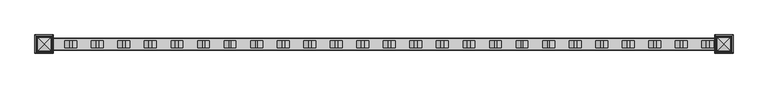
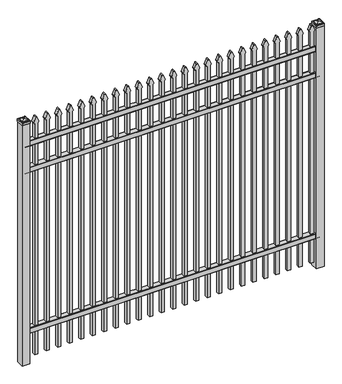
"""IFC4 building model written with IfcOpenShell, lengths in millimetres: railing geometry."""

from ifc_helpers import new_model, si_unit, point, frame, frame_2d, origin, origin_with_axes, place, context, project, spatial, polyline, circle_curve, ellipse_curve, trimmed, segment, composite_curve, outline, extrude, source, transform, mapped, element, save
from ifc_brep_helpers import plane_surface, cylinder_surface, advanced_brep


def railing_acbb20d3(model_context):
    return source(origin(), model_context, "Body", "SolidModel", [
        extrude(outline(composite_curve([segment(polyline([(8825.9139761, 304.8), (8863.969541, 304.8)]), True, "CONTINUOUS"), segment(trimmed(circle_curve(frame_2d((8863.969541, 301.625)), 3.175), [point((8863.969541, 304.8))], [point((8867.144541, 301.625))], False, "CARTESIAN"), True, "CONTINUOUS"), segment(polyline([(8867.144541, 301.625), (8867.144541, 262.1439893)]), True, "CONTINUOUS"), segment(trimmed(circle_curve(frame_2d((8865.3505518, 262.1439893)), 1.7939893), [point((8867.144541, 262.1439893))], [point((8865.3505518, 260.35))], False, "CARTESIAN"), True, "CONTINUOUS"), segment(polyline([(8865.3505518, 260.35), (8862.7590713, 260.35)]), True, "CONTINUOUS"), segment(trimmed(circle_curve(frame_2d((8862.7590713, 262.1359375)), 1.7859375), [point((8862.7590713, 260.35))], [point((8860.9755813, 262.0424688))], False, "CARTESIAN"), True, "CONTINUOUS"), segment(polyline([(8860.9755813, 262.0424688), (8859.4025867, 292.0569942), (8830.4364954, 292.0569942), (8828.8635007, 262.0424688)]), True, "CONTINUOUS"), segment(trimmed(circle_curve(frame_2d((8827.0800108, 262.1359375)), 1.7859375), [point((8828.8635007, 262.0424688))], [point((8827.0800108, 260.35))], False, "CARTESIAN"), True, "CONTINUOUS"), segment(polyline([(8827.0800108, 260.35), (8824.4804785, 260.35)]), True, "CONTINUOUS"), segment(trimmed(circle_curve(frame_2d((8824.4804785, 262.1359375)), 1.7859375), [point((8824.4804785, 260.35))], [point((8822.694541, 262.1359375))], False, "CARTESIAN"), True, "CONTINUOUS"), segment(polyline([(8822.694541, 262.1359375), (8822.694541, 301.5805649)]), True, "CONTINUOUS"), segment(trimmed(circle_curve(frame_2d((8825.9139761, 301.5805649)), 3.2194351), [point((8822.694541, 301.5805649))], [point((8825.9139761, 304.8))], False, "CARTESIAN"), True, "CONTINUOUS")], self_intersect=False)), frame((-28443.4649936, 0.0, 0.0), z_axis=(1.0, 0.0, 0.0), x_axis=(0.0, 1.0, 0.0)), (0.0, 0.0, 1.0), 2438.4),
        extrude(outline(composite_curve([segment(polyline([(8825.9139761, 1714.5), (8863.969541, 1714.5)]), True, "CONTINUOUS"), segment(trimmed(circle_curve(frame_2d((8863.969541, 1711.325)), 3.175), [point((8863.969541, 1714.5))], [point((8867.144541, 1711.325))], False, "CARTESIAN"), True, "CONTINUOUS"), segment(polyline([(8867.144541, 1711.325), (8867.144541, 1671.8439893)]), True, "CONTINUOUS"), segment(trimmed(circle_curve(frame_2d((8865.3505518, 1671.8439893)), 1.7939893), [point((8867.144541, 1671.8439893))], [point((8865.3505518, 1670.05))], False, "CARTESIAN"), True, "CONTINUOUS"), segment(polyline([(8865.3505518, 1670.05), (8862.7590713, 1670.05)]), True, "CONTINUOUS"), segment(trimmed(circle_curve(frame_2d((8862.7590713, 1671.8359375)), 1.7859375), [point((8862.7590713, 1670.05))], [point((8860.9755813, 1671.7424688))], False, "CARTESIAN"), True, "CONTINUOUS"), segment(polyline([(8860.9755813, 1671.7424688), (8859.4025867, 1701.7569942), (8830.4364954, 1701.7569942), (8828.8635007, 1671.7424688)]), True, "CONTINUOUS"), segment(trimmed(circle_curve(frame_2d((8827.0800108, 1671.8359375)), 1.7859375), [point((8828.8635007, 1671.7424688))], [point((8827.0800108, 1670.05))], False, "CARTESIAN"), True, "CONTINUOUS"), segment(polyline([(8827.0800108, 1670.05), (8824.4804785, 1670.05)]), True, "CONTINUOUS"), segment(trimmed(circle_curve(frame_2d((8824.4804785, 1671.8359375)), 1.7859375), [point((8824.4804785, 1670.05))], [point((8822.694541, 1671.8359375))], False, "CARTESIAN"), True, "CONTINUOUS"), segment(polyline([(8822.694541, 1671.8359375), (8822.694541, 1711.2805649)]), True, "CONTINUOUS"), segment(trimmed(circle_curve(frame_2d((8825.9139761, 1711.2805649)), 3.2194351), [point((8822.694541, 1711.2805649))], [point((8825.9139761, 1714.5))], False, "CARTESIAN"), True, "CONTINUOUS")], self_intersect=False)), frame((-28443.4649936, 0.0, 0.0), z_axis=(1.0, 0.0, 0.0), x_axis=(0.0, 1.0, 0.0)), (0.0, 0.0, 1.0), 2438.4),
        extrude(outline(composite_curve([segment(polyline([(8825.9139761, 1944.6875), (8863.969541, 1944.6875)]), True, "CONTINUOUS"), segment(trimmed(circle_curve(frame_2d((8863.969541, 1941.5125)), 3.175), [point((8863.969541, 1944.6875))], [point((8867.144541, 1941.5125))], False, "CARTESIAN"), True, "CONTINUOUS"), segment(polyline([(8867.144541, 1941.5125), (8867.144541, 1902.0314893)]), True, "CONTINUOUS"), segment(trimmed(circle_curve(frame_2d((8865.3505518, 1902.0314893)), 1.7939893), [point((8867.144541, 1902.0314893))], [point((8865.3505518, 1900.2375))], False, "CARTESIAN"), True, "CONTINUOUS"), segment(polyline([(8865.3505518, 1900.2375), (8862.7590713, 1900.2375)]), True, "CONTINUOUS"), segment(trimmed(circle_curve(frame_2d((8862.7590713, 1902.0234375)), 1.7859375), [point((8862.7590713, 1900.2375))], [point((8860.9755813, 1901.9299688))], False, "CARTESIAN"), True, "CONTINUOUS"), segment(polyline([(8860.9755813, 1901.9299688), (8859.4025867, 1931.9444942), (8830.4364954, 1931.9444942), (8828.8635007, 1901.9299688)]), True, "CONTINUOUS"), segment(trimmed(circle_curve(frame_2d((8827.0800108, 1902.0234375)), 1.7859375), [point((8828.8635007, 1901.9299688))], [point((8827.0800108, 1900.2375))], False, "CARTESIAN"), True, "CONTINUOUS"), segment(polyline([(8827.0800108, 1900.2375), (8824.4804785, 1900.2375)]), True, "CONTINUOUS"), segment(trimmed(circle_curve(frame_2d((8824.4804785, 1902.0234375)), 1.7859375), [point((8824.4804785, 1900.2375))], [point((8822.694541, 1902.0234375))], False, "CARTESIAN"), True, "CONTINUOUS"), segment(polyline([(8822.694541, 1902.0234375), (8822.694541, 1941.4680649)]), True, "CONTINUOUS"), segment(trimmed(circle_curve(frame_2d((8825.9139761, 1941.4680649)), 3.2194351), [point((8822.694541, 1941.4680649))], [point((8825.9139761, 1944.6875))], False, "CARTESIAN"), True, "CONTINUOUS")], self_intersect=False)), frame((-28443.4649936, 0.0, 0.0), z_axis=(1.0, 0.0, 0.0), x_axis=(0.0, 1.0, 0.0)), (0.0, 0.0, 1.0), 2438.4),
        extrude(outline(composite_curve([segment(polyline([(2074.2798417, -26074.9149936), (50.8, -26074.9149936), (50.8, -26049.5149936), (2074.0579232, -26049.5149936)]), True, "CONTINUOUS"), segment(trimmed(circle_curve(frame_2d((2092.5299402, -26063.3872336)), 23.1009622), [point((2074.0579232, -26049.5149936))], [point((2087.0676176, -26040.9413545))], False, "CARTESIAN"), True, "CONTINUOUS"), segment(polyline([(2087.0676176, -26040.9413545), (2127.5555225, -26057.2605644)]), True, "CONTINUOUS"), segment(trimmed(circle_curve(frame_2d((2124.4045804, -26062.3905764)), 6.0204202), [point((2127.5555225, -26057.2605644))], [point((2127.5555225, -26067.5205884))], False, "CARTESIAN"), True, "CONTINUOUS"), segment(polyline([(2127.5555225, -26067.5205884), (2088.3339948, -26083.4687724)]), True, "CONTINUOUS"), segment(trimmed(circle_curve(frame_2d((2092.5299402, -26060.7520716)), 23.1009622), [point((2088.3339948, -26083.4687724))], [point((2074.2798417, -26074.9149936))], False, "CARTESIAN"), True, "CONTINUOUS")], self_intersect=False)), frame((0.0, 8832.219541, 0.0), z_axis=(0.0, 1.0, 0.0), x_axis=(0.0, 0.0, 1.0)), (0.0, 0.0, 1.0), 25.4),
        extrude(outline(composite_curve([segment(polyline([(2074.2798417, -26170.1649936), (50.8, -26170.1649936), (50.8, -26144.7649936), (2074.0579232, -26144.7649936)]), True, "CONTINUOUS"), segment(trimmed(circle_curve(frame_2d((2092.5299402, -26158.6372336)), 23.1009622), [point((2074.0579232, -26144.7649936))], [point((2087.0676176, -26136.1913545))], False, "CARTESIAN"), True, "CONTINUOUS"), segment(polyline([(2087.0676176, -26136.1913545), (2127.5555225, -26152.5105644)]), True, "CONTINUOUS"), segment(trimmed(circle_curve(frame_2d((2124.4045804, -26157.6405764)), 6.0204202), [point((2127.5555225, -26152.5105644))], [point((2127.5555225, -26162.7705884))], False, "CARTESIAN"), True, "CONTINUOUS"), segment(polyline([(2127.5555225, -26162.7705884), (2088.3339948, -26178.7187724)]), True, "CONTINUOUS"), segment(trimmed(circle_curve(frame_2d((2092.5299402, -26156.0020716)), 23.1009622), [point((2088.3339948, -26178.7187724))], [point((2074.2798417, -26170.1649936))], False, "CARTESIAN"), True, "CONTINUOUS")], self_intersect=False)), frame((0.0, 8832.219541, 0.0), z_axis=(0.0, 1.0, 0.0), x_axis=(0.0, 0.0, 1.0)), (0.0, 0.0, 1.0), 25.4),
        extrude(outline(composite_curve([segment(polyline([(2074.2798417, -26265.4149936), (50.8, -26265.4149936), (50.8, -26240.0149936), (2074.0579232, -26240.0149936)]), True, "CONTINUOUS"), segment(trimmed(circle_curve(frame_2d((2092.5299402, -26253.8872336)), 23.1009622), [point((2074.0579232, -26240.0149936))], [point((2087.0676176, -26231.4413545))], False, "CARTESIAN"), True, "CONTINUOUS"), segment(polyline([(2087.0676176, -26231.4413545), (2127.5555225, -26247.7605644)]), True, "CONTINUOUS"), segment(trimmed(circle_curve(frame_2d((2124.4045804, -26252.8905764)), 6.0204202), [point((2127.5555225, -26247.7605644))], [point((2127.5555225, -26258.0205884))], False, "CARTESIAN"), True, "CONTINUOUS"), segment(polyline([(2127.5555225, -26258.0205884), (2088.3339948, -26273.9687724)]), True, "CONTINUOUS"), segment(trimmed(circle_curve(frame_2d((2092.5299402, -26251.2520716)), 23.1009622), [point((2088.3339948, -26273.9687724))], [point((2074.2798417, -26265.4149936))], False, "CARTESIAN"), True, "CONTINUOUS")], self_intersect=False)), frame((0.0, 8832.219541, 0.0), z_axis=(0.0, 1.0, 0.0), x_axis=(0.0, 0.0, 1.0)), (0.0, 0.0, 1.0), 25.4),
        extrude(outline(composite_curve([segment(polyline([(2074.2798417, -26360.6649936), (50.8, -26360.6649936), (50.8, -26335.2649936), (2074.0579232, -26335.2649936)]), True, "CONTINUOUS"), segment(trimmed(circle_curve(frame_2d((2092.5299402, -26349.1372336)), 23.1009622), [point((2074.0579232, -26335.2649936))], [point((2087.0676176, -26326.6913545))], False, "CARTESIAN"), True, "CONTINUOUS"), segment(polyline([(2087.0676176, -26326.6913545), (2127.5555225, -26343.0105644)]), True, "CONTINUOUS"), segment(trimmed(circle_curve(frame_2d((2124.4045804, -26348.1405764)), 6.0204202), [point((2127.5555225, -26343.0105644))], [point((2127.5555225, -26353.2705884))], False, "CARTESIAN"), True, "CONTINUOUS"), segment(polyline([(2127.5555225, -26353.2705884), (2088.3339948, -26369.2187724)]), True, "CONTINUOUS"), segment(trimmed(circle_curve(frame_2d((2092.5299402, -26346.5020716)), 23.1009622), [point((2088.3339948, -26369.2187724))], [point((2074.2798417, -26360.6649936))], False, "CARTESIAN"), True, "CONTINUOUS")], self_intersect=False)), frame((0.0, 8832.219541, 0.0), z_axis=(0.0, 1.0, 0.0), x_axis=(0.0, 0.0, 1.0)), (0.0, 0.0, 1.0), 25.4),
        extrude(outline(composite_curve([segment(polyline([(2074.2798417, -26455.9149936), (50.8, -26455.9149936), (50.8, -26430.5149936), (2074.0579232, -26430.5149936)]), True, "CONTINUOUS"), segment(trimmed(circle_curve(frame_2d((2092.5299402, -26444.3872336)), 23.1009622), [point((2074.0579232, -26430.5149936))], [point((2087.0676176, -26421.9413545))], False, "CARTESIAN"), True, "CONTINUOUS"), segment(polyline([(2087.0676176, -26421.9413545), (2127.5555225, -26438.2605644)]), True, "CONTINUOUS"), segment(trimmed(circle_curve(frame_2d((2124.4045804, -26443.3905764)), 6.0204202), [point((2127.5555225, -26438.2605644))], [point((2127.5555225, -26448.5205884))], False, "CARTESIAN"), True, "CONTINUOUS"), segment(polyline([(2127.5555225, -26448.5205884), (2088.3339948, -26464.4687724)]), True, "CONTINUOUS"), segment(trimmed(circle_curve(frame_2d((2092.5299402, -26441.7520716)), 23.1009622), [point((2088.3339948, -26464.4687724))], [point((2074.2798417, -26455.9149936))], False, "CARTESIAN"), True, "CONTINUOUS")], self_intersect=False)), frame((0.0, 8832.219541, 0.0), z_axis=(0.0, 1.0, 0.0), x_axis=(0.0, 0.0, 1.0)), (0.0, 0.0, 1.0), 25.4),
        extrude(outline(composite_curve([segment(polyline([(2074.2798417, -26551.1649936), (50.8, -26551.1649936), (50.8, -26525.7649936), (2074.0579232, -26525.7649936)]), True, "CONTINUOUS"), segment(trimmed(circle_curve(frame_2d((2092.5299402, -26539.6372336)), 23.1009622), [point((2074.0579232, -26525.7649936))], [point((2087.0676176, -26517.1913545))], False, "CARTESIAN"), True, "CONTINUOUS"), segment(polyline([(2087.0676176, -26517.1913545), (2127.5555225, -26533.5105644)]), True, "CONTINUOUS"), segment(trimmed(circle_curve(frame_2d((2124.4045804, -26538.6405764)), 6.0204202), [point((2127.5555225, -26533.5105644))], [point((2127.5555225, -26543.7705884))], False, "CARTESIAN"), True, "CONTINUOUS"), segment(polyline([(2127.5555225, -26543.7705884), (2088.3339948, -26559.7187724)]), True, "CONTINUOUS"), segment(trimmed(circle_curve(frame_2d((2092.5299402, -26537.0020716)), 23.1009622), [point((2088.3339948, -26559.7187724))], [point((2074.2798417, -26551.1649936))], False, "CARTESIAN"), True, "CONTINUOUS")], self_intersect=False)), frame((0.0, 8832.219541, 0.0), z_axis=(0.0, 1.0, 0.0), x_axis=(0.0, 0.0, 1.0)), (0.0, 0.0, 1.0), 25.4),
        extrude(outline(composite_curve([segment(polyline([(2074.2798417, -26646.4149936), (50.8, -26646.4149936), (50.8, -26621.0149936), (2074.0579232, -26621.0149936)]), True, "CONTINUOUS"), segment(trimmed(circle_curve(frame_2d((2092.5299402, -26634.8872336)), 23.1009622), [point((2074.0579232, -26621.0149936))], [point((2087.0676176, -26612.4413545))], False, "CARTESIAN"), True, "CONTINUOUS"), segment(polyline([(2087.0676176, -26612.4413545), (2127.5555225, -26628.7605644)]), True, "CONTINUOUS"), segment(trimmed(circle_curve(frame_2d((2124.4045804, -26633.8905764)), 6.0204202), [point((2127.5555225, -26628.7605644))], [point((2127.5555225, -26639.0205884))], False, "CARTESIAN"), True, "CONTINUOUS"), segment(polyline([(2127.5555225, -26639.0205884), (2088.3339948, -26654.9687724)]), True, "CONTINUOUS"), segment(trimmed(circle_curve(frame_2d((2092.5299402, -26632.2520716)), 23.1009622), [point((2088.3339948, -26654.9687724))], [point((2074.2798417, -26646.4149936))], False, "CARTESIAN"), True, "CONTINUOUS")], self_intersect=False)), frame((0.0, 8832.219541, 0.0), z_axis=(0.0, 1.0, 0.0), x_axis=(0.0, 0.0, 1.0)), (0.0, 0.0, 1.0), 25.4),
        extrude(outline(composite_curve([segment(polyline([(2074.2798417, -26741.6649936), (50.8, -26741.6649936), (50.8, -26716.2649936), (2074.0579232, -26716.2649936)]), True, "CONTINUOUS"), segment(trimmed(circle_curve(frame_2d((2092.5299402, -26730.1372336)), 23.1009622), [point((2074.0579232, -26716.2649936))], [point((2087.0676176, -26707.6913545))], False, "CARTESIAN"), True, "CONTINUOUS"), segment(polyline([(2087.0676176, -26707.6913545), (2127.5555225, -26724.0105644)]), True, "CONTINUOUS"), segment(trimmed(circle_curve(frame_2d((2124.4045804, -26729.1405764)), 6.0204202), [point((2127.5555225, -26724.0105644))], [point((2127.5555225, -26734.2705884))], False, "CARTESIAN"), True, "CONTINUOUS"), segment(polyline([(2127.5555225, -26734.2705884), (2088.3339948, -26750.2187724)]), True, "CONTINUOUS"), segment(trimmed(circle_curve(frame_2d((2092.5299402, -26727.5020716)), 23.1009622), [point((2088.3339948, -26750.2187724))], [point((2074.2798417, -26741.6649936))], False, "CARTESIAN"), True, "CONTINUOUS")], self_intersect=False)), frame((0.0, 8832.219541, 0.0), z_axis=(0.0, 1.0, 0.0), x_axis=(0.0, 0.0, 1.0)), (0.0, 0.0, 1.0), 25.4),
        extrude(outline(composite_curve([segment(polyline([(2074.2798417, -26836.9149936), (50.8, -26836.9149936), (50.8, -26811.5149936), (2074.0579232, -26811.5149936)]), True, "CONTINUOUS"), segment(trimmed(circle_curve(frame_2d((2092.5299402, -26825.3872336)), 23.1009622), [point((2074.0579232, -26811.5149936))], [point((2087.0676176, -26802.9413545))], False, "CARTESIAN"), True, "CONTINUOUS"), segment(polyline([(2087.0676176, -26802.9413545), (2127.5555225, -26819.2605644)]), True, "CONTINUOUS"), segment(trimmed(circle_curve(frame_2d((2124.4045804, -26824.3905764)), 6.0204202), [point((2127.5555225, -26819.2605644))], [point((2127.5555225, -26829.5205884))], False, "CARTESIAN"), True, "CONTINUOUS"), segment(polyline([(2127.5555225, -26829.5205884), (2088.3339948, -26845.4687724)]), True, "CONTINUOUS"), segment(trimmed(circle_curve(frame_2d((2092.5299402, -26822.7520716)), 23.1009622), [point((2088.3339948, -26845.4687724))], [point((2074.2798417, -26836.9149936))], False, "CARTESIAN"), True, "CONTINUOUS")], self_intersect=False)), frame((0.0, 8832.219541, 0.0), z_axis=(0.0, 1.0, 0.0), x_axis=(0.0, 0.0, 1.0)), (0.0, 0.0, 1.0), 25.4),
        extrude(outline(composite_curve([segment(polyline([(2074.2798417, -26932.1649936), (50.8, -26932.1649936), (50.8, -26906.7649936), (2074.0579232, -26906.7649936)]), True, "CONTINUOUS"), segment(trimmed(circle_curve(frame_2d((2092.5299402, -26920.6372336)), 23.1009622), [point((2074.0579232, -26906.7649936))], [point((2087.0676176, -26898.1913545))], False, "CARTESIAN"), True, "CONTINUOUS"), segment(polyline([(2087.0676176, -26898.1913545), (2127.5555225, -26914.5105644)]), True, "CONTINUOUS"), segment(trimmed(circle_curve(frame_2d((2124.4045804, -26919.6405764)), 6.0204202), [point((2127.5555225, -26914.5105644))], [point((2127.5555225, -26924.7705884))], False, "CARTESIAN"), True, "CONTINUOUS"), segment(polyline([(2127.5555225, -26924.7705884), (2088.3339948, -26940.7187724)]), True, "CONTINUOUS"), segment(trimmed(circle_curve(frame_2d((2092.5299402, -26918.0020716)), 23.1009622), [point((2088.3339948, -26940.7187724))], [point((2074.2798417, -26932.1649936))], False, "CARTESIAN"), True, "CONTINUOUS")], self_intersect=False)), frame((0.0, 8832.219541, 0.0), z_axis=(0.0, 1.0, 0.0), x_axis=(0.0, 0.0, 1.0)), (0.0, 0.0, 1.0), 25.4),
        extrude(outline(composite_curve([segment(polyline([(2074.2798417, -27027.4149936), (50.8, -27027.4149936), (50.8, -27002.0149936), (2074.0579232, -27002.0149936)]), True, "CONTINUOUS"), segment(trimmed(circle_curve(frame_2d((2092.5299402, -27015.8872336)), 23.1009622), [point((2074.0579232, -27002.0149936))], [point((2087.0676176, -26993.4413545))], False, "CARTESIAN"), True, "CONTINUOUS"), segment(polyline([(2087.0676176, -26993.4413545), (2127.5555225, -27009.7605644)]), True, "CONTINUOUS"), segment(trimmed(circle_curve(frame_2d((2124.4045804, -27014.8905764)), 6.0204202), [point((2127.5555225, -27009.7605644))], [point((2127.5555225, -27020.0205884))], False, "CARTESIAN"), True, "CONTINUOUS"), segment(polyline([(2127.5555225, -27020.0205884), (2088.3339948, -27035.9687724)]), True, "CONTINUOUS"), segment(trimmed(circle_curve(frame_2d((2092.5299402, -27013.2520716)), 23.1009622), [point((2088.3339948, -27035.9687724))], [point((2074.2798417, -27027.4149936))], False, "CARTESIAN"), True, "CONTINUOUS")], self_intersect=False)), frame((0.0, 8832.219541, 0.0), z_axis=(0.0, 1.0, 0.0), x_axis=(0.0, 0.0, 1.0)), (0.0, 0.0, 1.0), 25.4),
        extrude(outline(composite_curve([segment(polyline([(2074.2798417, -27122.6649936), (50.8, -27122.6649936), (50.8, -27097.2649936), (2074.0579232, -27097.2649936)]), True, "CONTINUOUS"), segment(trimmed(circle_curve(frame_2d((2092.5299402, -27111.1372336)), 23.1009622), [point((2074.0579232, -27097.2649936))], [point((2087.0676176, -27088.6913545))], False, "CARTESIAN"), True, "CONTINUOUS"), segment(polyline([(2087.0676176, -27088.6913545), (2127.5555225, -27105.0105644)]), True, "CONTINUOUS"), segment(trimmed(circle_curve(frame_2d((2124.4045804, -27110.1405764)), 6.0204202), [point((2127.5555225, -27105.0105644))], [point((2127.5555225, -27115.2705884))], False, "CARTESIAN"), True, "CONTINUOUS"), segment(polyline([(2127.5555225, -27115.2705884), (2088.3339948, -27131.2187724)]), True, "CONTINUOUS"), segment(trimmed(circle_curve(frame_2d((2092.5299402, -27108.5020716)), 23.1009622), [point((2088.3339948, -27131.2187724))], [point((2074.2798417, -27122.6649936))], False, "CARTESIAN"), True, "CONTINUOUS")], self_intersect=False)), frame((0.0, 8832.219541, 0.0), z_axis=(0.0, 1.0, 0.0), x_axis=(0.0, 0.0, 1.0)), (0.0, 0.0, 1.0), 25.4),
        extrude(outline(composite_curve([segment(polyline([(2074.2798417, -27217.9149936), (50.8, -27217.9149936), (50.8, -27192.5149936), (2074.0579232, -27192.5149936)]), True, "CONTINUOUS"), segment(trimmed(circle_curve(frame_2d((2092.5299402, -27206.3872336)), 23.1009622), [point((2074.0579232, -27192.5149936))], [point((2087.0676176, -27183.9413545))], False, "CARTESIAN"), True, "CONTINUOUS"), segment(polyline([(2087.0676176, -27183.9413545), (2127.5555225, -27200.2605644)]), True, "CONTINUOUS"), segment(trimmed(circle_curve(frame_2d((2124.4045804, -27205.3905764)), 6.0204202), [point((2127.5555225, -27200.2605644))], [point((2127.5555225, -27210.5205884))], False, "CARTESIAN"), True, "CONTINUOUS"), segment(polyline([(2127.5555225, -27210.5205884), (2088.3339948, -27226.4687724)]), True, "CONTINUOUS"), segment(trimmed(circle_curve(frame_2d((2092.5299402, -27203.7520716)), 23.1009622), [point((2088.3339948, -27226.4687724))], [point((2074.2798417, -27217.9149936))], False, "CARTESIAN"), True, "CONTINUOUS")], self_intersect=False)), frame((0.0, 8832.219541, 0.0), z_axis=(0.0, 1.0, 0.0), x_axis=(0.0, 0.0, 1.0)), (0.0, 0.0, 1.0), 25.4),
        extrude(outline(composite_curve([segment(polyline([(2074.2798417, -27313.1649936), (50.8, -27313.1649936), (50.8, -27287.7649936), (2074.0579232, -27287.7649936)]), True, "CONTINUOUS"), segment(trimmed(circle_curve(frame_2d((2092.5299402, -27301.6372336)), 23.1009622), [point((2074.0579232, -27287.7649936))], [point((2087.0676176, -27279.1913545))], False, "CARTESIAN"), True, "CONTINUOUS"), segment(polyline([(2087.0676176, -27279.1913545), (2127.5555225, -27295.5105644)]), True, "CONTINUOUS"), segment(trimmed(circle_curve(frame_2d((2124.4045804, -27300.6405764)), 6.0204202), [point((2127.5555225, -27295.5105644))], [point((2127.5555225, -27305.7705884))], False, "CARTESIAN"), True, "CONTINUOUS"), segment(polyline([(2127.5555225, -27305.7705884), (2088.3339948, -27321.7187724)]), True, "CONTINUOUS"), segment(trimmed(circle_curve(frame_2d((2092.5299402, -27299.0020716)), 23.1009622), [point((2088.3339948, -27321.7187724))], [point((2074.2798417, -27313.1649936))], False, "CARTESIAN"), True, "CONTINUOUS")], self_intersect=False)), frame((0.0, 8832.219541, 0.0), z_axis=(0.0, 1.0, 0.0), x_axis=(0.0, 0.0, 1.0)), (0.0, 0.0, 1.0), 25.4),
        extrude(outline(composite_curve([segment(polyline([(2074.2798417, -27408.4149936), (50.8, -27408.4149936), (50.8, -27383.0149936), (2074.0579232, -27383.0149936)]), True, "CONTINUOUS"), segment(trimmed(circle_curve(frame_2d((2092.5299402, -27396.8872336)), 23.1009622), [point((2074.0579232, -27383.0149936))], [point((2087.0676176, -27374.4413545))], False, "CARTESIAN"), True, "CONTINUOUS"), segment(polyline([(2087.0676176, -27374.4413545), (2127.5555225, -27390.7605644)]), True, "CONTINUOUS"), segment(trimmed(circle_curve(frame_2d((2124.4045804, -27395.8905764)), 6.0204202), [point((2127.5555225, -27390.7605644))], [point((2127.5555225, -27401.0205884))], False, "CARTESIAN"), True, "CONTINUOUS"), segment(polyline([(2127.5555225, -27401.0205884), (2088.3339948, -27416.9687724)]), True, "CONTINUOUS"), segment(trimmed(circle_curve(frame_2d((2092.5299402, -27394.2520716)), 23.1009622), [point((2088.3339948, -27416.9687724))], [point((2074.2798417, -27408.4149936))], False, "CARTESIAN"), True, "CONTINUOUS")], self_intersect=False)), frame((0.0, 8832.219541, 0.0), z_axis=(0.0, 1.0, 0.0), x_axis=(0.0, 0.0, 1.0)), (0.0, 0.0, 1.0), 25.4),
        extrude(outline(composite_curve([segment(polyline([(2074.2798417, -27503.6649936), (50.8, -27503.6649936), (50.8, -27478.2649936), (2074.0579232, -27478.2649936)]), True, "CONTINUOUS"), segment(trimmed(circle_curve(frame_2d((2092.5299402, -27492.1372336)), 23.1009622), [point((2074.0579232, -27478.2649936))], [point((2087.0676176, -27469.6913545))], False, "CARTESIAN"), True, "CONTINUOUS"), segment(polyline([(2087.0676176, -27469.6913545), (2127.5555225, -27486.0105644)]), True, "CONTINUOUS"), segment(trimmed(circle_curve(frame_2d((2124.4045804, -27491.1405764)), 6.0204202), [point((2127.5555225, -27486.0105644))], [point((2127.5555225, -27496.2705884))], False, "CARTESIAN"), True, "CONTINUOUS"), segment(polyline([(2127.5555225, -27496.2705884), (2088.3339948, -27512.2187724)]), True, "CONTINUOUS"), segment(trimmed(circle_curve(frame_2d((2092.5299402, -27489.5020716)), 23.1009622), [point((2088.3339948, -27512.2187724))], [point((2074.2798417, -27503.6649936))], False, "CARTESIAN"), True, "CONTINUOUS")], self_intersect=False)), frame((0.0, 8832.219541, 0.0), z_axis=(0.0, 1.0, 0.0), x_axis=(0.0, 0.0, 1.0)), (0.0, 0.0, 1.0), 25.4),
        extrude(outline(composite_curve([segment(polyline([(2074.2798417, -27598.9149936), (50.8, -27598.9149936), (50.8, -27573.5149936), (2074.0579232, -27573.5149936)]), True, "CONTINUOUS"), segment(trimmed(circle_curve(frame_2d((2092.5299402, -27587.3872336)), 23.1009622), [point((2074.0579232, -27573.5149936))], [point((2087.0676176, -27564.9413545))], False, "CARTESIAN"), True, "CONTINUOUS"), segment(polyline([(2087.0676176, -27564.9413545), (2127.5555225, -27581.2605644)]), True, "CONTINUOUS"), segment(trimmed(circle_curve(frame_2d((2124.4045804, -27586.3905764)), 6.0204202), [point((2127.5555225, -27581.2605644))], [point((2127.5555225, -27591.5205884))], False, "CARTESIAN"), True, "CONTINUOUS"), segment(polyline([(2127.5555225, -27591.5205884), (2088.3339948, -27607.4687724)]), True, "CONTINUOUS"), segment(trimmed(circle_curve(frame_2d((2092.5299402, -27584.7520716)), 23.1009622), [point((2088.3339948, -27607.4687724))], [point((2074.2798417, -27598.9149936))], False, "CARTESIAN"), True, "CONTINUOUS")], self_intersect=False)), frame((0.0, 8832.219541, 0.0), z_axis=(0.0, 1.0, 0.0), x_axis=(0.0, 0.0, 1.0)), (0.0, 0.0, 1.0), 25.4),
        extrude(outline(composite_curve([segment(polyline([(2074.2798417, -27694.1649936), (50.8, -27694.1649936), (50.8, -27668.7649936), (2074.0579232, -27668.7649936)]), True, "CONTINUOUS"), segment(trimmed(circle_curve(frame_2d((2092.5299402, -27682.6372336)), 23.1009622), [point((2074.0579232, -27668.7649936))], [point((2087.0676176, -27660.1913545))], False, "CARTESIAN"), True, "CONTINUOUS"), segment(polyline([(2087.0676176, -27660.1913545), (2127.5555225, -27676.5105644)]), True, "CONTINUOUS"), segment(trimmed(circle_curve(frame_2d((2124.4045804, -27681.6405764)), 6.0204202), [point((2127.5555225, -27676.5105644))], [point((2127.5555225, -27686.7705884))], False, "CARTESIAN"), True, "CONTINUOUS"), segment(polyline([(2127.5555225, -27686.7705884), (2088.3339948, -27702.7187724)]), True, "CONTINUOUS"), segment(trimmed(circle_curve(frame_2d((2092.5299402, -27680.0020716)), 23.1009622), [point((2088.3339948, -27702.7187724))], [point((2074.2798417, -27694.1649936))], False, "CARTESIAN"), True, "CONTINUOUS")], self_intersect=False)), frame((0.0, 8832.219541, 0.0), z_axis=(0.0, 1.0, 0.0), x_axis=(0.0, 0.0, 1.0)), (0.0, 0.0, 1.0), 25.4),
        extrude(outline(composite_curve([segment(polyline([(2074.2798417, -27789.4149936), (50.8, -27789.4149936), (50.8, -27764.0149936), (2074.0579232, -27764.0149936)]), True, "CONTINUOUS"), segment(trimmed(circle_curve(frame_2d((2092.5299402, -27777.8872336)), 23.1009622), [point((2074.0579232, -27764.0149936))], [point((2087.0676176, -27755.4413545))], False, "CARTESIAN"), True, "CONTINUOUS"), segment(polyline([(2087.0676176, -27755.4413545), (2127.5555225, -27771.7605644)]), True, "CONTINUOUS"), segment(trimmed(circle_curve(frame_2d((2124.4045804, -27776.8905764)), 6.0204202), [point((2127.5555225, -27771.7605644))], [point((2127.5555225, -27782.0205884))], False, "CARTESIAN"), True, "CONTINUOUS"), segment(polyline([(2127.5555225, -27782.0205884), (2088.3339948, -27797.9687724)]), True, "CONTINUOUS"), segment(trimmed(circle_curve(frame_2d((2092.5299402, -27775.2520716)), 23.1009622), [point((2088.3339948, -27797.9687724))], [point((2074.2798417, -27789.4149936))], False, "CARTESIAN"), True, "CONTINUOUS")], self_intersect=False)), frame((0.0, 8832.219541, 0.0), z_axis=(0.0, 1.0, 0.0), x_axis=(0.0, 0.0, 1.0)), (0.0, 0.0, 1.0), 25.4),
        extrude(outline(composite_curve([segment(polyline([(2074.2798417, -27884.6649936), (50.8, -27884.6649936), (50.8, -27859.2649936), (2074.0579232, -27859.2649936)]), True, "CONTINUOUS"), segment(trimmed(circle_curve(frame_2d((2092.5299402, -27873.1372336)), 23.1009622), [point((2074.0579232, -27859.2649936))], [point((2087.0676176, -27850.6913545))], False, "CARTESIAN"), True, "CONTINUOUS"), segment(polyline([(2087.0676176, -27850.6913545), (2127.5555225, -27867.0105644)]), True, "CONTINUOUS"), segment(trimmed(circle_curve(frame_2d((2124.4045804, -27872.1405764)), 6.0204202), [point((2127.5555225, -27867.0105644))], [point((2127.5555225, -27877.2705884))], False, "CARTESIAN"), True, "CONTINUOUS"), segment(polyline([(2127.5555225, -27877.2705884), (2088.3339948, -27893.2187724)]), True, "CONTINUOUS"), segment(trimmed(circle_curve(frame_2d((2092.5299402, -27870.5020716)), 23.1009622), [point((2088.3339948, -27893.2187724))], [point((2074.2798417, -27884.6649936))], False, "CARTESIAN"), True, "CONTINUOUS")], self_intersect=False)), frame((0.0, 8832.219541, 0.0), z_axis=(0.0, 1.0, 0.0), x_axis=(0.0, 0.0, 1.0)), (0.0, 0.0, 1.0), 25.4),
        extrude(outline(composite_curve([segment(polyline([(2074.2798417, -27979.9149936), (50.8, -27979.9149936), (50.8, -27954.5149936), (2074.0579232, -27954.5149936)]), True, "CONTINUOUS"), segment(trimmed(circle_curve(frame_2d((2092.5299402, -27968.3872336)), 23.1009622), [point((2074.0579232, -27954.5149936))], [point((2087.0676176, -27945.9413545))], False, "CARTESIAN"), True, "CONTINUOUS"), segment(polyline([(2087.0676176, -27945.9413545), (2127.5555225, -27962.2605644)]), True, "CONTINUOUS"), segment(trimmed(circle_curve(frame_2d((2124.4045804, -27967.3905764)), 6.0204202), [point((2127.5555225, -27962.2605644))], [point((2127.5555225, -27972.5205884))], False, "CARTESIAN"), True, "CONTINUOUS"), segment(polyline([(2127.5555225, -27972.5205884), (2088.3339948, -27988.4687724)]), True, "CONTINUOUS"), segment(trimmed(circle_curve(frame_2d((2092.5299402, -27965.7520716)), 23.1009622), [point((2088.3339948, -27988.4687724))], [point((2074.2798417, -27979.9149936))], False, "CARTESIAN"), True, "CONTINUOUS")], self_intersect=False)), frame((0.0, 8832.219541, 0.0), z_axis=(0.0, 1.0, 0.0), x_axis=(0.0, 0.0, 1.0)), (0.0, 0.0, 1.0), 25.4),
        extrude(outline(composite_curve([segment(polyline([(2074.2798417, -28075.1649936), (50.8, -28075.1649936), (50.8, -28049.7649936), (2074.0579232, -28049.7649936)]), True, "CONTINUOUS"), segment(trimmed(circle_curve(frame_2d((2092.5299402, -28063.6372336)), 23.1009622), [point((2074.0579232, -28049.7649936))], [point((2087.0676176, -28041.1913545))], False, "CARTESIAN"), True, "CONTINUOUS"), segment(polyline([(2087.0676176, -28041.1913545), (2127.5555225, -28057.5105644)]), True, "CONTINUOUS"), segment(trimmed(circle_curve(frame_2d((2124.4045804, -28062.6405764)), 6.0204202), [point((2127.5555225, -28057.5105644))], [point((2127.5555225, -28067.7705884))], False, "CARTESIAN"), True, "CONTINUOUS"), segment(polyline([(2127.5555225, -28067.7705884), (2088.3339948, -28083.7187724)]), True, "CONTINUOUS"), segment(trimmed(circle_curve(frame_2d((2092.5299402, -28061.0020716)), 23.1009622), [point((2088.3339948, -28083.7187724))], [point((2074.2798417, -28075.1649936))], False, "CARTESIAN"), True, "CONTINUOUS")], self_intersect=False)), frame((0.0, 8832.219541, 0.0), z_axis=(0.0, 1.0, 0.0), x_axis=(0.0, 0.0, 1.0)), (0.0, 0.0, 1.0), 25.4),
        extrude(outline(composite_curve([segment(polyline([(2074.2798417, -28170.4149936), (50.8, -28170.4149936), (50.8, -28145.0149936), (2074.0579232, -28145.0149936)]), True, "CONTINUOUS"), segment(trimmed(circle_curve(frame_2d((2092.5299402, -28158.8872336)), 23.1009622), [point((2074.0579232, -28145.0149936))], [point((2087.0676176, -28136.4413545))], False, "CARTESIAN"), True, "CONTINUOUS"), segment(polyline([(2087.0676176, -28136.4413545), (2127.5555225, -28152.7605644)]), True, "CONTINUOUS"), segment(trimmed(circle_curve(frame_2d((2124.4045804, -28157.8905764)), 6.0204202), [point((2127.5555225, -28152.7605644))], [point((2127.5555225, -28163.0205884))], False, "CARTESIAN"), True, "CONTINUOUS"), segment(polyline([(2127.5555225, -28163.0205884), (2088.3339948, -28178.9687724)]), True, "CONTINUOUS"), segment(trimmed(circle_curve(frame_2d((2092.5299402, -28156.2520716)), 23.1009622), [point((2088.3339948, -28178.9687724))], [point((2074.2798417, -28170.4149936))], False, "CARTESIAN"), True, "CONTINUOUS")], self_intersect=False)), frame((0.0, 8832.219541, 0.0), z_axis=(0.0, 1.0, 0.0), x_axis=(0.0, 0.0, 1.0)), (0.0, 0.0, 1.0), 25.4),
        extrude(outline(composite_curve([segment(polyline([(2074.2798417, -28265.6649936), (50.8, -28265.6649936), (50.8, -28240.2649936), (2074.0579232, -28240.2649936)]), True, "CONTINUOUS"), segment(trimmed(circle_curve(frame_2d((2092.5299402, -28254.1372336)), 23.1009622), [point((2074.0579232, -28240.2649936))], [point((2087.0676176, -28231.6913545))], False, "CARTESIAN"), True, "CONTINUOUS"), segment(polyline([(2087.0676176, -28231.6913545), (2127.5555225, -28248.0105644)]), True, "CONTINUOUS"), segment(trimmed(circle_curve(frame_2d((2124.4045804, -28253.1405764)), 6.0204202), [point((2127.5555225, -28248.0105644))], [point((2127.5555225, -28258.2705884))], False, "CARTESIAN"), True, "CONTINUOUS"), segment(polyline([(2127.5555225, -28258.2705884), (2088.3339948, -28274.2187724)]), True, "CONTINUOUS"), segment(trimmed(circle_curve(frame_2d((2092.5299402, -28251.5020716)), 23.1009622), [point((2088.3339948, -28274.2187724))], [point((2074.2798417, -28265.6649936))], False, "CARTESIAN"), True, "CONTINUOUS")], self_intersect=False)), frame((0.0, 8832.219541, 0.0), z_axis=(0.0, 1.0, 0.0), x_axis=(0.0, 0.0, 1.0)), (0.0, 0.0, 1.0), 25.4),
        extrude(outline(composite_curve([segment(polyline([(2074.2798417, -28360.9149936), (50.8, -28360.9149936), (50.8, -28335.5149936), (2074.0579232, -28335.5149936)]), True, "CONTINUOUS"), segment(trimmed(circle_curve(frame_2d((2092.5299402, -28349.3872336)), 23.1009622), [point((2074.0579232, -28335.5149936))], [point((2087.0676176, -28326.9413545))], False, "CARTESIAN"), True, "CONTINUOUS"), segment(polyline([(2087.0676176, -28326.9413545), (2127.5555225, -28343.2605644)]), True, "CONTINUOUS"), segment(trimmed(circle_curve(frame_2d((2124.4045804, -28348.3905764)), 6.0204202), [point((2127.5555225, -28343.2605644))], [point((2127.5555225, -28353.5205884))], False, "CARTESIAN"), True, "CONTINUOUS"), segment(polyline([(2127.5555225, -28353.5205884), (2088.3339948, -28369.4687724)]), True, "CONTINUOUS"), segment(trimmed(circle_curve(frame_2d((2092.5299402, -28346.7520716)), 23.1009622), [point((2088.3339948, -28369.4687724))], [point((2074.2798417, -28360.9149936))], False, "CARTESIAN"), True, "CONTINUOUS")], self_intersect=False)), frame((0.0, 8832.219541, 0.0), z_axis=(0.0, 1.0, 0.0), x_axis=(0.0, 0.0, 1.0)), (0.0, 0.0, 1.0), 25.4),
        extrude(outline(polyline([(-25973.3149936, 8876.669541), (-25973.3149936, 8813.169541), (-26036.8149936, 8813.169541), (-26036.8149936, 8876.669541), (-25973.3149936, 8876.669541)])), origin_with_axes(), (0.0, 0.0, 1.0), 2109.7875),
        advanced_brep(
        [(-26038.4024936, 8878.257041, 2128.04375), (-26038.4024936, 8878.257041, 2109.7875), (-26038.4024936, 8811.582041, 2109.7875), (-26038.4024936, 8811.582041, 2128.04375), (-26036.0212436, 8875.875791, 2130.425), (-26036.0212436, 8813.963291, 2130.425), (-26033.6399936, 8873.494541, 2132.80625), (-26033.6399936, 8873.494541, 2130.425), (-26033.6399936, 8816.344541, 2130.425), (-26033.6399936, 8816.344541, 2132.80625), (-26031.2587436, 8871.113291, 2135.1875), (-26031.2587436, 8818.725791, 2135.1875), (-26005.0649936, 8844.919541, 2141.5375), (-26028.8774936, 8868.732041, 2135.1875), (-26028.8774936, 8821.107041, 2135.1875), (-25971.7274936, 8811.582041, 2109.7875), (-25971.7274936, 8811.582041, 2128.04375), (-25974.1087436, 8813.963291, 2130.425), (-25976.4899936, 8816.344541, 2130.425), (-25976.4899936, 8816.344541, 2132.80625), (-25978.8712436, 8818.725791, 2135.1875), (-25981.2524936, 8821.107041, 2135.1875), (-25971.7274936, 8878.257041, 2109.7875), (-25971.7274936, 8878.257041, 2128.04375), (-25974.1087436, 8875.875791, 2130.425), (-25976.4899936, 8873.494541, 2130.425), (-25976.4899936, 8873.494541, 2132.80625), (-25978.8712436, 8871.113291, 2135.1875), (-25981.2524936, 8868.732041, 2135.1875)],
        [
            (0, 1),
            (1, 2),
            (2, 3),
            (3, 0),
            (4, 0, ellipse_curve(frame((-26036.0212436, 8875.875791, 2128.04375), z_axis=(-0.70710678118655, -0.7071067811865449, 0.0), x_axis=(-0.7071067811865448, 0.7071067811865501, 0.0)), 3.367596, 2.38125)),
            (3, 5, ellipse_curve(frame((-26036.0212436, 8813.963291, 2128.04375), z_axis=(-0.7071067811865449, 0.70710678118655, 0.0), x_axis=(0.7071067811865499, 0.707106781186545, 0.0)), 3.367596, 2.38125)),
            (5, 4),
            (6, 7),
            (7, 8),
            (8, 9),
            (9, 6),
            (10, 6, ellipse_curve(frame((-26031.2587436, 8871.113291, 2132.80625), z_axis=(-0.70710678118655, -0.7071067811865449, 0.0), x_axis=(-0.7071067811865448, 0.7071067811865501, 0.0)), 3.367596, 2.38125)),
            (9, 11, ellipse_curve(frame((-26031.2587436, 8818.725791, 2132.80625), z_axis=(-0.7071067811865449, 0.70710678118655, 0.0), x_axis=(0.7071067811865499, 0.707106781186545, 0.0)), 3.367596, 2.38125)),
            (11, 10),
            (12, 13, ellipse_curve(frame((-26005.0649936, 8844.919541, 2093.7140625), z_axis=(-0.70710678118655, -0.7071067811865449, 0.0), x_axis=(-0.7071067811865448, 0.7071067811865501, 0.0)), 67.6325539, 47.8234375)),
            (13, 14),
            (14, 12, ellipse_curve(frame((-26005.0649936, 8844.919541, 2093.7140625), z_axis=(-0.7071067811865449, 0.70710678118655, 0.0), x_axis=(0.7071067811865499, 0.707106781186545, 0.0)), 67.6325539, 47.8234375)),
            (2, 15),
            (15, 16),
            (16, 3),
            (16, 17, ellipse_curve(frame((-25974.1087436, 8813.963291, 2128.04375), z_axis=(-0.70710678118655, -0.707106781186545, 0.0), x_axis=(-0.707106781186545, 0.70710678118655, 0.0)), 3.367596, 2.38125)),
            (17, 5),
            (8, 18),
            (18, 19),
            (19, 9),
            (19, 20, ellipse_curve(frame((-25978.8712436, 8818.725791, 2132.80625), z_axis=(-0.70710678118655, -0.707106781186545, 0.0), x_axis=(-0.707106781186545, 0.70710678118655, 0.0)), 3.367596, 2.38125)),
            (20, 11),
            (14, 21),
            (21, 12, ellipse_curve(frame((-26005.0649936, 8844.919541, 2093.7140625), z_axis=(-0.70710678118655, -0.707106781186545, 0.0), x_axis=(-0.707106781186545, 0.70710678118655, 0.0)), 67.6325539, 47.8234375)),
            (15, 22),
            (22, 23),
            (23, 16),
            (23, 24, ellipse_curve(frame((-25974.1087436, 8875.875791, 2128.04375), z_axis=(0.707106781186545, -0.7071067811865499, 0.0), x_axis=(-0.7071067811865497, -0.7071067811865452, 0.0)), 3.367596, 2.38125)),
            (24, 17),
            (18, 25),
            (25, 26),
            (26, 19),
            (26, 27, ellipse_curve(frame((-25978.8712436, 8871.113291, 2132.80625), z_axis=(0.707106781186545, -0.7071067811865499, 0.0), x_axis=(-0.7071067811865497, -0.7071067811865452, 0.0)), 3.367596, 2.38125)),
            (27, 20),
            (21, 28),
            (28, 12, ellipse_curve(frame((-26005.0649936, 8844.919541, 2093.7140625), z_axis=(0.707106781186545, -0.7071067811865499, 0.0), x_axis=(-0.7071067811865497, -0.7071067811865452, 0.0)), 67.6325539, 47.8234375)),
            (22, 1),
            (0, 23),
            (4, 24),
            (7, 25),
            (6, 26),
            (10, 27),
            (13, 28),
        ],
        [
            plane_surface(frame((-26038.4024936, 8878.257041, 2109.7875), z_axis=(-1.0, 0.0, 0.0), x_axis=(0.0, -1.0, 0.0))),
            cylinder_surface(frame((-26036.0212436, 8876.669541, 2128.04375), z_axis=(0.0, 1.0, 0.0), x_axis=(1.0, 0.0, 0.0)), 2.38125),
            plane_surface(frame((-26033.6399936, 8873.494541, 2130.425), z_axis=(-1.0, 0.0, 0.0), x_axis=(0.0, -1.0, 0.0))),
            cylinder_surface(frame((-26031.2587436, 8876.669541, 2132.80625), z_axis=(0.0, 1.0, 0.0), x_axis=(1.0, 0.0, 0.0)), 2.38125),
            cylinder_surface(frame((-26005.0649936, 8876.669541, 2093.7140625), z_axis=(0.0, 1.0, 0.0), x_axis=(1.0, 0.0, 0.0)), 47.8234375),
            plane_surface(frame((-26038.4024936, 8811.582041, 2109.7875), z_axis=(0.0, -1.0, 0.0), x_axis=(1.0, 0.0, 0.0))),
            cylinder_surface(frame((-26036.8149936, 8813.963291, 2128.04375), z_axis=(-1.0, 0.0, 0.0), x_axis=(0.0, 1.0, 0.0)), 2.38125),
            plane_surface(frame((-26033.6399936, 8816.344541, 2130.425), z_axis=(0.0, -1.0, 0.0), x_axis=(1.0, 0.0, 0.0))),
            cylinder_surface(frame((-26036.8149936, 8818.725791, 2132.80625), z_axis=(-1.0, 0.0, 0.0), x_axis=(0.0, 1.0, 0.0)), 2.38125),
            cylinder_surface(frame((-26036.8149936, 8844.919541, 2093.7140625), z_axis=(-1.0, 0.0, 0.0), x_axis=(0.0, 1.0, 0.0)), 47.8234375),
            plane_surface(frame((-25971.7274936, 8811.582041, 2109.7875), z_axis=(1.0, 0.0, 0.0), x_axis=(0.0, 1.0, 0.0))),
            cylinder_surface(frame((-25974.1087436, 8813.169541, 2128.04375), z_axis=(0.0, -1.0, 0.0), x_axis=(-1.0, 0.0, 0.0)), 2.38125),
            plane_surface(frame((-25976.4899936, 8816.344541, 2130.425), z_axis=(1.0, 0.0, 0.0), x_axis=(0.0, 1.0, 0.0))),
            cylinder_surface(frame((-25978.8712436, 8813.169541, 2132.80625), z_axis=(0.0, -1.0, 0.0), x_axis=(-1.0, 0.0, 0.0)), 2.38125),
            cylinder_surface(frame((-26005.0649936, 8813.169541, 2093.7140625), z_axis=(0.0, -1.0, 0.0), x_axis=(-1.0, 0.0, 0.0)), 47.8234375),
            plane_surface(frame((-25971.7274936, 8878.257041, 2109.7875), z_axis=(0.0, 1.0, 0.0), x_axis=(-1.0, 0.0, 0.0))),
            cylinder_surface(frame((-25973.3149936, 8875.875791, 2128.04375), z_axis=(1.0, 0.0, 0.0), x_axis=(0.0, -1.0, 0.0)), 2.38125),
            plane_surface(frame((-25974.1087436, 8875.875791, 2130.425), z_axis=(0.0, 0.0, 1.0), x_axis=(-1.0, 0.0, 0.0))),
            plane_surface(frame((-25976.4899936, 8873.494541, 2130.425), z_axis=(0.0, 1.0, 0.0), x_axis=(-1.0, 0.0, 0.0))),
            cylinder_surface(frame((-25973.3149936, 8871.113291, 2132.80625), z_axis=(1.0, 0.0, 0.0), x_axis=(0.0, -1.0, 0.0)), 2.38125),
            plane_surface(frame((-25978.8712436, 8871.113291, 2135.1875), z_axis=(0.0, 0.0, 1.0), x_axis=(-1.0, 0.0, 0.0))),
            cylinder_surface(frame((-25973.3149936, 8844.919541, 2093.7140625), z_axis=(1.0, 0.0, 0.0), x_axis=(0.0, -1.0, 0.0)), 47.8234375),
            plane_surface(frame((-26005.0649936, 8844.919541, 2109.7875), z_axis=(0.0, 0.0, -1.0), x_axis=(-1.0, 0.0, 0.0))),
        ],
        [
            (0, [[1, 2, 3, 4]]),
            (1, [[5, -4, 6, 7]]),
            (2, [[8, 9, 10, 11]]),
            (3, [[12, -11, 13, 14]]),
            (4, [[15, 16, 17]]),
            (5, [[-3, 18, 19, 20]]),
            (6, [[-6, -20, 21, 22]]),
            (7, [[-10, 23, 24, 25]]),
            (8, [[-13, -25, 26, 27]]),
            (9, [[-17, 28, 29]]),
            (10, [[-19, 30, 31, 32]]),
            (11, [[-21, -32, 33, 34]]),
            (12, [[-24, 35, 36, 37]]),
            (13, [[-26, -37, 38, 39]]),
            (14, [[-29, 40, 41]]),
            (15, [[-31, 42, -1, 43]]),
            (16, [[-33, -43, -5, 44]]),
            (17, [[-22, -34, -44, -7], [45, -35, -23, -9]]),
            (18, [[-36, -45, -8, 46]]),
            (19, [[-38, -46, -12, 47]]),
            (20, [[-27, -39, -47, -14], [48, -40, -28, -16]]),
            (21, [[-41, -48, -15]]),
            (22, [[-42, -30, -18, -2]]),
        ],
    ),
        extrude(outline(polyline([(-28411.7149936, 8876.669541), (-28411.7149936, 8813.169541), (-28475.2149936, 8813.169541), (-28475.2149936, 8876.669541), (-28411.7149936, 8876.669541)])), origin_with_axes(), (0.0, 0.0, 1.0), 2109.7875),
        advanced_brep(
        [(-28476.8024936, 8878.257041, 2128.04375), (-28476.8024936, 8878.257041, 2109.7875), (-28476.8024936, 8811.582041, 2109.7875), (-28476.8024936, 8811.582041, 2128.04375), (-28474.4212436, 8875.875791, 2130.425), (-28474.4212436, 8813.963291, 2130.425), (-28472.0399936, 8873.494541, 2132.80625), (-28472.0399936, 8873.494541, 2130.425), (-28472.0399936, 8816.344541, 2130.425), (-28472.0399936, 8816.344541, 2132.80625), (-28469.6587436, 8871.113291, 2135.1875), (-28469.6587436, 8818.725791, 2135.1875), (-28443.4649936, 8844.919541, 2141.5375), (-28467.2774936, 8868.732041, 2135.1875), (-28467.2774936, 8821.107041, 2135.1875), (-28410.1274936, 8811.582041, 2109.7875), (-28410.1274936, 8811.582041, 2128.04375), (-28412.5087436, 8813.963291, 2130.425), (-28414.8899936, 8816.344541, 2130.425), (-28414.8899936, 8816.344541, 2132.80625), (-28417.2712436, 8818.725791, 2135.1875), (-28419.6524936, 8821.107041, 2135.1875), (-28410.1274936, 8878.257041, 2109.7875), (-28410.1274936, 8878.257041, 2128.04375), (-28412.5087436, 8875.875791, 2130.425), (-28414.8899936, 8873.494541, 2130.425), (-28414.8899936, 8873.494541, 2132.80625), (-28417.2712436, 8871.113291, 2135.1875), (-28419.6524936, 8868.732041, 2135.1875)],
        [
            (0, 1),
            (1, 2),
            (2, 3),
            (3, 0),
            (4, 0, ellipse_curve(frame((-28474.4212436, 8875.875791, 2128.04375), z_axis=(-0.70710678118655, -0.7071067811865449, 0.0), x_axis=(-0.7071067811865448, 0.7071067811865501, 0.0)), 3.367596, 2.38125)),
            (3, 5, ellipse_curve(frame((-28474.4212436, 8813.963291, 2128.04375), z_axis=(-0.7071067811865449, 0.70710678118655, 0.0), x_axis=(0.7071067811865499, 0.707106781186545, 0.0)), 3.367596, 2.38125)),
            (5, 4),
            (6, 7),
            (7, 8),
            (8, 9),
            (9, 6),
            (10, 6, ellipse_curve(frame((-28469.6587436, 8871.113291, 2132.80625), z_axis=(-0.70710678118655, -0.7071067811865449, 0.0), x_axis=(-0.7071067811865448, 0.7071067811865501, 0.0)), 3.367596, 2.38125)),
            (9, 11, ellipse_curve(frame((-28469.6587436, 8818.725791, 2132.80625), z_axis=(-0.7071067811865449, 0.70710678118655, 0.0), x_axis=(0.7071067811865499, 0.707106781186545, 0.0)), 3.367596, 2.38125)),
            (11, 10),
            (12, 13, ellipse_curve(frame((-28443.4649936, 8844.919541, 2093.7140625), z_axis=(-0.70710678118655, -0.7071067811865449, 0.0), x_axis=(-0.7071067811865448, 0.7071067811865501, 0.0)), 67.6325539, 47.8234375)),
            (13, 14),
            (14, 12, ellipse_curve(frame((-28443.4649936, 8844.919541, 2093.7140625), z_axis=(-0.7071067811865449, 0.70710678118655, 0.0), x_axis=(0.7071067811865499, 0.707106781186545, 0.0)), 67.6325539, 47.8234375)),
            (2, 15),
            (15, 16),
            (16, 3),
            (16, 17, ellipse_curve(frame((-28412.5087436, 8813.963291, 2128.04375), z_axis=(-0.70710678118655, -0.707106781186545, 0.0), x_axis=(-0.707106781186545, 0.70710678118655, 0.0)), 3.367596, 2.38125)),
            (17, 5),
            (8, 18),
            (18, 19),
            (19, 9),
            (19, 20, ellipse_curve(frame((-28417.2712436, 8818.725791, 2132.80625), z_axis=(-0.70710678118655, -0.707106781186545, 0.0), x_axis=(-0.707106781186545, 0.70710678118655, 0.0)), 3.367596, 2.38125)),
            (20, 11),
            (14, 21),
            (21, 12, ellipse_curve(frame((-28443.4649936, 8844.919541, 2093.7140625), z_axis=(-0.70710678118655, -0.707106781186545, 0.0), x_axis=(-0.707106781186545, 0.70710678118655, 0.0)), 67.6325539, 47.8234375)),
            (15, 22),
            (22, 23),
            (23, 16),
            (23, 24, ellipse_curve(frame((-28412.5087436, 8875.875791, 2128.04375), z_axis=(0.707106781186545, -0.7071067811865499, 0.0), x_axis=(-0.7071067811865497, -0.7071067811865452, 0.0)), 3.367596, 2.38125)),
            (24, 17),
            (18, 25),
            (25, 26),
            (26, 19),
            (26, 27, ellipse_curve(frame((-28417.2712436, 8871.113291, 2132.80625), z_axis=(0.707106781186545, -0.7071067811865499, 0.0), x_axis=(-0.7071067811865497, -0.7071067811865452, 0.0)), 3.367596, 2.38125)),
            (27, 20),
            (21, 28),
            (28, 12, ellipse_curve(frame((-28443.4649936, 8844.919541, 2093.7140625), z_axis=(0.707106781186545, -0.7071067811865499, 0.0), x_axis=(-0.7071067811865497, -0.7071067811865452, 0.0)), 67.6325539, 47.8234375)),
            (22, 1),
            (0, 23),
            (4, 24),
            (7, 25),
            (6, 26),
            (10, 27),
            (13, 28),
        ],
        [
            plane_surface(frame((-28476.8024936, 8878.257041, 2109.7875), z_axis=(-1.0, 0.0, 0.0), x_axis=(0.0, -1.0, 0.0))),
            cylinder_surface(frame((-28474.4212436, 8876.669541, 2128.04375), z_axis=(0.0, 1.0, 0.0), x_axis=(1.0, 0.0, 0.0)), 2.38125),
            plane_surface(frame((-28472.0399936, 8873.494541, 2130.425), z_axis=(-1.0, 0.0, 0.0), x_axis=(0.0, -1.0, 0.0))),
            cylinder_surface(frame((-28469.6587436, 8876.669541, 2132.80625), z_axis=(0.0, 1.0, 0.0), x_axis=(1.0, 0.0, 0.0)), 2.38125),
            cylinder_surface(frame((-28443.4649936, 8876.669541, 2093.7140625), z_axis=(0.0, 1.0, 0.0), x_axis=(1.0, 0.0, 0.0)), 47.8234375),
            plane_surface(frame((-28476.8024936, 8811.582041, 2109.7875), z_axis=(0.0, -1.0, 0.0), x_axis=(1.0, 0.0, 0.0))),
            cylinder_surface(frame((-28475.2149936, 8813.963291, 2128.04375), z_axis=(-1.0, 0.0, 0.0), x_axis=(0.0, 1.0, 0.0)), 2.38125),
            plane_surface(frame((-28472.0399936, 8816.344541, 2130.425), z_axis=(0.0, -1.0, 0.0), x_axis=(1.0, 0.0, 0.0))),
            cylinder_surface(frame((-28475.2149936, 8818.725791, 2132.80625), z_axis=(-1.0, 0.0, 0.0), x_axis=(0.0, 1.0, 0.0)), 2.38125),
            cylinder_surface(frame((-28475.2149936, 8844.919541, 2093.7140625), z_axis=(-1.0, 0.0, 0.0), x_axis=(0.0, 1.0, 0.0)), 47.8234375),
            plane_surface(frame((-28410.1274936, 8811.582041, 2109.7875), z_axis=(1.0, 0.0, 0.0), x_axis=(0.0, 1.0, 0.0))),
            cylinder_surface(frame((-28412.5087436, 8813.169541, 2128.04375), z_axis=(0.0, -1.0, 0.0), x_axis=(-1.0, 0.0, 0.0)), 2.38125),
            plane_surface(frame((-28414.8899936, 8816.344541, 2130.425), z_axis=(1.0, 0.0, 0.0), x_axis=(0.0, 1.0, 0.0))),
            cylinder_surface(frame((-28417.2712436, 8813.169541, 2132.80625), z_axis=(0.0, -1.0, 0.0), x_axis=(-1.0, 0.0, 0.0)), 2.38125),
            cylinder_surface(frame((-28443.4649936, 8813.169541, 2093.7140625), z_axis=(0.0, -1.0, 0.0), x_axis=(-1.0, 0.0, 0.0)), 47.8234375),
            plane_surface(frame((-28410.1274936, 8878.257041, 2109.7875), z_axis=(0.0, 1.0, 0.0), x_axis=(-1.0, 0.0, 0.0))),
            cylinder_surface(frame((-28411.7149936, 8875.875791, 2128.04375), z_axis=(1.0, 0.0, 0.0), x_axis=(0.0, -1.0, 0.0)), 2.38125),
            plane_surface(frame((-28412.5087436, 8875.875791, 2130.425), z_axis=(0.0, 0.0, 1.0), x_axis=(-1.0, 0.0, 0.0))),
            plane_surface(frame((-28414.8899936, 8873.494541, 2130.425), z_axis=(0.0, 1.0, 0.0), x_axis=(-1.0, 0.0, 0.0))),
            cylinder_surface(frame((-28411.7149936, 8871.113291, 2132.80625), z_axis=(1.0, 0.0, 0.0), x_axis=(0.0, -1.0, 0.0)), 2.38125),
            plane_surface(frame((-28417.2712436, 8871.113291, 2135.1875), z_axis=(0.0, 0.0, 1.0), x_axis=(-1.0, 0.0, 0.0))),
            cylinder_surface(frame((-28411.7149936, 8844.919541, 2093.7140625), z_axis=(1.0, 0.0, 0.0), x_axis=(0.0, -1.0, 0.0)), 47.8234375),
            plane_surface(frame((-28443.4649936, 8844.919541, 2109.7875), z_axis=(0.0, 0.0, -1.0), x_axis=(-1.0, 0.0, 0.0))),
        ],
        [
            (0, [[1, 2, 3, 4]]),
            (1, [[5, -4, 6, 7]]),
            (2, [[8, 9, 10, 11]]),
            (3, [[12, -11, 13, 14]]),
            (4, [[15, 16, 17]]),
            (5, [[-3, 18, 19, 20]]),
            (6, [[-6, -20, 21, 22]]),
            (7, [[-10, 23, 24, 25]]),
            (8, [[-13, -25, 26, 27]]),
            (9, [[-17, 28, 29]]),
            (10, [[-19, 30, 31, 32]]),
            (11, [[-21, -32, 33, 34]]),
            (12, [[-24, 35, 36, 37]]),
            (13, [[-26, -37, 38, 39]]),
            (14, [[-29, 40, 41]]),
            (15, [[-31, 42, -1, 43]]),
            (16, [[-33, -43, -5, 44]]),
            (17, [[-22, -34, -44, -7], [45, -35, -23, -9]]),
            (18, [[-36, -45, -8, 46]]),
            (19, [[-38, -46, -12, 47]]),
            (20, [[-27, -39, -47, -14], [48, -40, -28, -16]]),
            (21, [[-41, -48, -15]]),
            (22, [[-42, -30, -18, -2]]),
        ],
    ),
    ])


if __name__ == "__main__":
    model = new_model("IFC4")
    model_context = context("Model", 3, world=origin())
    ifc_project = project(units=[si_unit("LENGTHUNIT", "METRE", prefix="MILLI")], contexts=[model_context])
    site = spatial("IfcSite", under=ifc_project)
    building = spatial("IfcBuilding", under=site)
    placement = place(None, origin())
    railing_shape = railing_acbb20d3(model_context)
    element("IfcRailing", 1, at=placement, inside=building, context=model_context, shape_type="MappedRepresentation", body=[
        mapped(railing_shape, transform((0.0, 0.0, 0.0), x_axis=(1.0, 0.0, 0.0), y_axis=(0.0, 1.0, 0.0), z_axis=(0.0, 0.0, 1.0))),
    ])
    save(model, "model.ifc")
